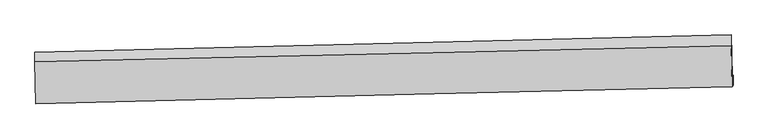
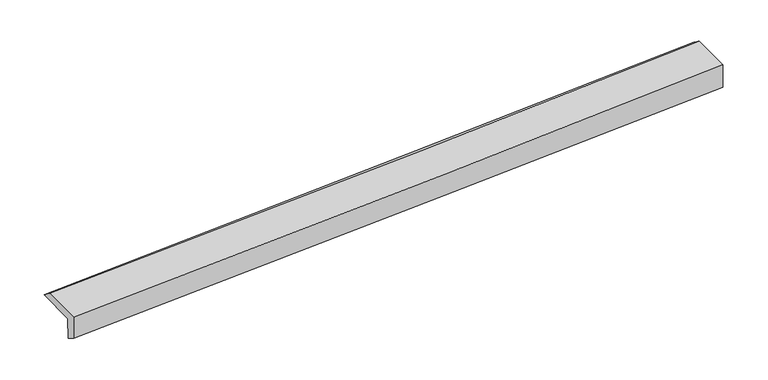
"""IFC4 building model written with IfcOpenShell, lengths in millimetres: proxy geometry."""

from ifc_helpers import new_model, si_unit, frame, origin, place, context, project, spatial, source, transform, mapped, element, save
from ifc_brep_helpers import plane_surface, spline_curve, spline_surface, advanced_brep


def generic_models_26c3e14d(model_context):
    return source(origin(), model_context, "Body", "AdvancedBrep", [
        advanced_brep(
        [(-5949.8421232, -1946.9534478, 1788.5177362), (-5966.0655431, -1273.6724163, 1820.3614069), (5377.0176801, -991.8478346, 2275.8152545), (5393.2410999, -1665.1288661, 2243.9715837), (-5936.770089, -1929.1851677, 1419.4970616), (5407.3739481, -1645.9186652, 1845.0043645), (-5936.6572415, -2095.5299439, 1518.3510449), (5407.4867955, -1812.2634413, 1943.8583478), (-5950.7250697, -2114.6517658, 1915.4827638), (5392.3581535, -1832.8271841, 2370.9366113), (-5967.258827, -1428.4915554, 1947.9355715), (5376.3056399, -1166.6388575, 2402.4448237)],
        [
            (0, 1),
            (1, 2, spline_curve(3, [(-5966.0655431, -1273.6724163, 1820.3614069), (-3803.519186542, -1217.625945219, 1905.059999783), (-1641.001785353, -1162.905319392, 1990.977468507), (2140.013221025, -1069.546918178, 2143.33149616), (3758.52356068, -1030.32601635, 2209.231977202), (5377.0176801, -991.8478346, 2275.8152545)], [4, 2, 4], [0.0, 21.30812622998793, 37.2563123536443])),
            (2, 3),
            (3, 0, spline_curve(3, [(5393.2410999, -1665.1288661, 2243.9715837), (3774.74698048, -1703.60704785, 2177.388306402), (2156.236640925, -1742.827949678, 2111.48782536), (-1624.778365453, -1836.186350892, 1959.133797707), (-3787.295766642, -1890.906976719, 1873.216329083), (-5949.8421232, -1946.9534478, 1788.5177362)], [4, 2, 4], [0.0, 15.948186123656367, 37.2563123536443])),
            (4, 0),
            (3, 5),
            (5, 4, spline_curve(3, [(5407.3739481, -1645.9186652, 1845.0043645), (3788.787032352, -1684.52298131, 1781.040707163), (2170.158824742, -1723.904096095, 1718.46762058), (-1611.190102312, -1817.716381925, 1575.540084924), (-3773.943240019, -1872.757434154, 1496.277404153), (-5936.770089, -1929.1851677, 1419.4970616)], [4, 2, 4], [0.0, 15.948128429418073, 37.25617757502144])),
            (6, 4),
            (5, 7),
            (7, 6, spline_curve(3, [(5407.4867955, -1812.2634413, 1943.8583478), (3788.899879608, -1850.867757243, 1879.894690238), (2170.271672236, -1890.248872614, 1817.321603818), (-1611.077254804, -1984.061157699, 1674.394068306), (-3773.830392083, -2039.102210113, 1595.131387824), (-5936.6572415, -2095.5299439, 1518.3510449)], [4, 2, 4], [0.0, 15.948099590675497, 37.25611020527839])),
            (8, 6),
            (7, 9),
            (9, 8, spline_curve(3, [(5392.3581535, -1832.8271841, 2370.9366113), (3774.276208779, -1870.745113924, 2292.717733163), (2156.001605265, -1909.645588424, 2220.162464623), (-1624.874874892, -2002.815698072, 2063.897890269), (-3787.628013455, -2057.856750603, 1984.635209612), (-5950.7250697, -2114.6517658, 1915.4827638)], [4, 2, 4], [0.0, 15.948176234431244, 37.25628925157757])),
            (10, 8),
            (9, 11),
            (11, 10, spline_curve(3, [(5376.3056399, -1166.6388575, 2402.4448237), (3758.275089906, -1206.689710404, 2324.125066132), (2140.000486823, -1245.59018561, 2251.569798096), (-1640.996056773, -1333.777605035, 2095.540885452), (-3803.909609478, -1382.161363081, 2016.59307035), (-5967.258827, -1428.4915554, 1947.9355715)], [4, 2, 4], [0.0, 15.948285955114184, 37.2565455683777])),
            (1, 10),
            (11, 2),
        ],
        [
            spline_surface(3, 3, [[(-5949.8421232, -1946.9534478, 1788.5177362), (-3787.295766899, -1890.906976636, 1873.216328961), (-1624.778365422, -1836.186351045, 1959.13379745), (2156.236640901, -1742.827949563, 2111.487825553), (3774.746980421, -1703.607047917, 2177.388306207), (5393.2410999, -1665.1288661, 2243.9715837)], [(-5955.249929813, -1722.526437292, 1799.132293126), (-3792.703573512, -1666.479966128, 1883.830885887), (-1630.186172035, -1611.759340537, 1969.748354376), (2150.828834288, -1518.400939056, 2122.102382479), (3769.339173807, -1479.180037409, 2188.002863133), (5387.833293287, -1440.701855592, 2254.586140626)], [(-5960.657736487, -1498.099426808, 1809.746849974), (-3798.111380186, -1442.052955643, 1894.445442734), (-1635.593978708, -1387.332330052, 1980.362911324), (2145.421027615, -1293.973928571, 2132.716939427), (3763.931367234, -1254.753026924, 2198.617420081), (5382.425486713, -1216.274845108, 2265.200697574)], [(-5966.0655431, -1273.6724163, 1820.3614069), (-3803.519186799, -1217.625945136, 1905.059999661), (-1641.001785322, -1162.905319545, 1990.97746825), (2140.013221001, -1069.546918063, 2143.331496353), (3758.523560621, -1030.326016417, 2209.231977007), (5377.0176801, -991.8478346, 2275.8152545)]], [4, 4], [4, 2, 4], [0.0, 2.2120369677342646], [0.0, 21.30812622998793, 37.2563123536443]),
            spline_surface(3, 3, [[(-5936.770089, -1929.1851677, 1419.4970616), (-3773.943239913, -1872.757434194, 1496.277404222), (-1611.190101977, -1817.716381702, 1575.540085125), (2170.15882449, -1723.904096262, 1718.46762043), (3788.787032289, -1684.522981265, 1781.040707191), (5407.3739481, -1645.9186652, 1845.0043645)], [(-5941.127433753, -1935.107927741, 1542.503953114), (-3778.394082262, -1878.807281682, 1621.923712449), (-1615.719523132, -1823.87303814, 1703.404655921), (2165.51809662, -1730.212047353, 1849.474355491), (3784.107015016, -1690.884336831, 1913.156573537), (5402.662998716, -1652.322065516, 1977.993437574)], [(-5945.484778447, -1941.030687759, 1665.510844686), (-3782.84492455, -1884.857129147, 1747.570020734), (-1620.248944266, -1830.029694606, 1831.269226654), (2160.877368771, -1736.519998472, 1980.481090491), (3779.426997694, -1697.24569235, 2045.272439861), (5397.952049284, -1658.725465784, 2110.982510626)], [(-5949.8421232, -1946.9534478, 1788.5177362), (-3787.295766899, -1890.906976636, 1873.216328961), (-1624.778365422, -1836.186351045, 1959.13379745), (2156.236640901, -1742.827949563, 2111.487825553), (3774.746980421, -1703.607047917, 2177.388306207), (5393.2410999, -1665.1288661, 2243.9715837)]], [4, 4], [4, 2, 4], [0.0, 1.2715926900457535], [0.0, 21.308049145603366, 37.25617757502144]),
            spline_surface(3, 3, [[(-5936.6572415, -2095.5299439, 1518.3510449), (-3773.830392413, -2039.102210394, 1595.131387522), (-1611.077254477, -1984.061157902, 1674.394068425), (2170.27167199, -1890.248872462, 1817.32160373), (3788.899879689, -1850.867757365, 1879.894690491), (5407.4867955, -1812.2634413, 1943.8583478)], [(-5936.694857321, -2040.081685174, 1485.39971713), (-3773.868008234, -1983.653951668, 1562.180059752), (-1611.114870298, -1928.612899176, 1641.442740655), (2170.234056169, -1834.800613736, 1784.37027596), (3788.862263868, -1795.419498639, 1846.943362721), (5407.449179679, -1756.815182574, 1910.90702003)], [(-5936.732473179, -1984.633426426, 1452.44838937), (-3773.905624092, -1928.20569292, 1529.228731992), (-1611.152486155, -1873.164640428, 1608.491412895), (2170.196440312, -1779.352354987, 1751.4189482), (3788.824648111, -1739.971239991, 1813.992034961), (5407.411563921, -1701.366923926, 1877.95569227)], [(-5936.770089, -1929.1851677, 1419.4970616), (-3773.943239913, -1872.757434194, 1496.277404222), (-1611.190101977, -1817.716381702, 1575.540085125), (2170.15882449, -1723.904096262, 1718.46762043), (3788.787032289, -1684.522981265, 1781.040707191), (5407.3739481, -1645.9186652, 1845.0043645)]], [4, 4], [4, 2, 4], [0.0, 0.6348463965951867], [0.0, 21.308010614602892, 37.25611020527839]),
            spline_surface(3, 3, [[(-5950.7250697, -2114.6517658, 1915.4827638), (-3787.628013172, -2057.8567504, 1984.635209336), (-1624.874875236, -2002.815697908, 2063.897890139), (2156.001605522, -1909.645588547, 2220.16246472), (3774.276208682, -1870.745113802, 2292.717733062), (5392.3581535, -1832.8271841, 2370.9366113)], [(-5946.035793649, -2108.277825157, 1783.105524194), (-3783.028806268, -2051.605237055, 1854.800602092), (-1620.275668332, -1996.564184563, 1934.063282894), (2160.758294329, -1903.180016509, 2085.882177717), (3779.150765699, -1864.119328339, 2155.110052205), (5397.401034181, -1825.972603183, 2228.577190134)], [(-5941.346517551, -2101.903884543, 1650.728284506), (-3778.429599317, -2045.353723738, 1724.965994767), (-1615.67646138, -1990.312671246, 1804.228675669), (2165.514983183, -1896.714444499, 1951.601890733), (3784.025322672, -1857.493542827, 2017.502371347), (5402.443914819, -1819.118022217, 2086.217768966)], [(-5936.6572415, -2095.5299439, 1518.3510449), (-3773.830392413, -2039.102210394, 1595.131387522), (-1611.077254477, -1984.061157902, 1674.394068425), (2170.27167199, -1890.248872462, 1817.32160373), (3788.899879689, -1850.867757365, 1879.894690491), (5407.4867955, -1812.2634413, 1943.8583478)]], [4, 4], [4, 2, 4], [0.0, 1.296981542208042], [0.0, 21.308113017146326, 37.25628925157757]),
            spline_surface(3, 3, [[(-5967.258827, -1428.4915554, 1947.9355715), (-3803.909609469, -1382.161363192, 2016.593070099), (-1640.996056968, -1333.777605372, 2095.540885797), (2140.000486969, -1245.590185358, 2251.569797837), (3758.275090129, -1206.689710513, 2324.125066179), (5376.3056399, -1166.6388575, 2402.4448237)], [(-5961.747574566, -1657.211625535, 1937.117968935), (-3798.482410703, -1607.39315893, 2005.940449846), (-1635.622329724, -1556.790302904, 2084.993220577), (2145.334193153, -1466.941986442, 2241.100686798), (3763.608796313, -1428.041511597, 2313.655955139), (5381.656477766, -1388.701633021, 2391.942086233)], [(-5956.236322134, -1885.931695665, 1926.300366365), (-3793.055211939, -1832.624954662, 1995.287829589), (-1630.24860248, -1779.803000375, 2074.445555359), (2150.667899338, -1688.293787463, 2230.63157576), (3768.942502498, -1649.393312718, 2303.186844101), (5387.007315634, -1610.764408579, 2381.439348767)], [(-5950.7250697, -2114.6517658, 1915.4827638), (-3787.628013172, -2057.8567504, 1984.635209336), (-1624.874875236, -2002.815697908, 2063.897890139), (2156.001605522, -1909.645588547, 2220.16246472), (3774.276208682, -1870.745113802, 2292.717733062), (5392.3581535, -1832.8271841, 2370.9366113)]], [4, 4], [4, 2, 4], [0.0, 2.1928605638210192], [0.0, 21.30825961326352, 37.2565455683777]),
            spline_surface(3, 3, [[(-5966.0655431, -1273.6724163, 1820.3614069), (-3803.519186799, -1217.625945136, 1905.059999661), (-1641.001785322, -1162.905319545, 1990.97746825), (2140.013221001, -1069.546918063, 2143.331496353), (3758.523560621, -1030.326016417, 2209.231977007), (5377.0176801, -991.8478346, 2275.8152545)], [(-5966.463304397, -1325.278796, 1862.886128402), (-3803.649327686, -1272.471084487, 1942.237689775), (-1640.999875879, -1219.862748151, 2025.831940763), (2140.008976315, -1128.228007159, 2179.410930178), (3758.440737128, -1089.113914463, 2247.529673401), (5376.780333371, -1050.111508914, 2318.025110904)], [(-5966.861065703, -1376.8851757, 1905.410849998), (-3803.779468582, -1327.31622384, 1979.415379985), (-1640.99796641, -1276.820176765, 2060.686413285), (2140.004731655, -1186.909096262, 2215.490364012), (3758.357913622, -1147.901812467, 2285.827369785), (5376.542986629, -1108.375183186, 2360.234967296)], [(-5967.258827, -1428.4915554, 1947.9355715), (-3803.909609469, -1382.161363192, 2016.593070099), (-1640.996056968, -1333.777605372, 2095.540885797), (2140.000486969, -1245.590185358, 2251.569797837), (3758.275090129, -1206.689710513, 2324.125066179), (5376.3056399, -1166.6388575, 2402.4448237)]], [4, 4], [4, 2, 4], [0.0, 0.6649264266473822], [0.0, 21.308136952667674, 37.2563311017736]),
            plane_surface(frame((5392.2972195, -1519.1041415, 2180.3384976), z_axis=(0.9990849057502823, 0.022349243725122855, 0.0364672785777202), x_axis=(0.035360463068460087, 0.04806402742202427, -0.9982181559757162))),
            plane_surface(frame((-5951.2198156, -1798.0807161, 1735.0242641), z_axis=(-0.9990849057502836, -0.02234924372512777, -0.03646727857767276), x_axis=(0.024062185136312732, -0.9985941921385733, -0.047229764699561284))),
        ],
        [
            (0, [[1, 2, 3, 4]]),
            (1, [[5, -4, 6, 7]]),
            (2, [[8, -7, 9, 10]]),
            (3, [[11, -10, 12, 13]]),
            (4, [[14, -13, 15, 16]]),
            (5, [[17, -16, 18, -2]]),
            (6, [[-12, -9, -6, -3, -18, -15]]),
            (7, [[-1, -5, -8, -11, -14, -17]]),
        ],
    ),
    ])


if __name__ == "__main__":
    model = new_model("IFC4")
    model_context = context("Model", 3, world=origin())
    ifc_project = project(units=[si_unit("LENGTHUNIT", "METRE", prefix="MILLI")], contexts=[model_context])
    site = spatial("IfcSite", under=ifc_project)
    building = spatial("IfcBuilding", under=site)
    placement = place(None, origin())
    generic_models_shape = generic_models_26c3e14d(model_context)
    element("IfcBuildingElementProxy", 1, Name="Generic Models", at=placement, inside=building, context=model_context, shape_type="MappedRepresentation", body=[
        mapped(generic_models_shape, transform((0.0, 0.0, 0.0), x_axis=(1.0, 0.0, 0.0), y_axis=(0.0, 1.0, 0.0), z_axis=(0.0, 0.0, 1.0))),
    ])
    save(model, "model.ifc")
